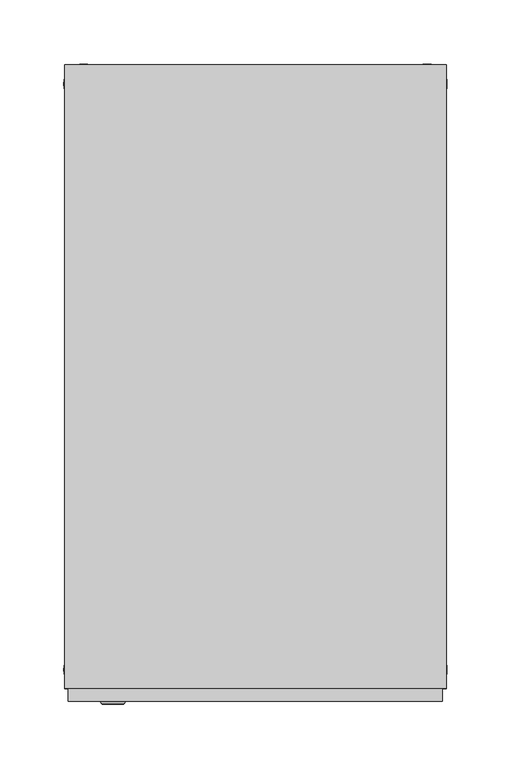
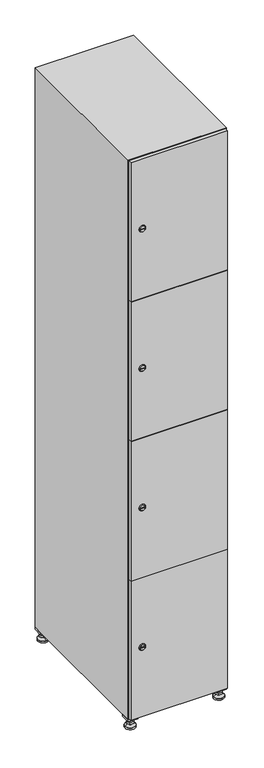
"""IFC4 building model written with IfcOpenShell, lengths in millimetres: furniture geometry."""

from ifc_helpers import new_model, si_unit, point, frame, frame_2d, origin, origin_with_axes, place, context, project, spatial, polyline, circle_curve, trimmed, segment, composite_curve, outline, extrude, faceted_brep, source, transform, mapped, element, save
from ifc_brep_helpers import plane_surface, revolved_surface, advanced_brep


def furniture_08a6adff(model_context):
    return source(origin(), model_context, "Body", "SolidModel", [
        extrude(outline(polyline([(100.0, 245.0), (100.0, 215.0), (70.0, 215.0), (70.0, 245.0), (100.0, 245.0)]), holes=[polyline([(98.0, 243.0), (72.0, 243.0), (72.0, 217.0), (98.0, 217.0), (98.0, 243.0)])]), frame((0.0, 0.0, 28.5), z_axis=(0.0, 0.0, 1.0), x_axis=(1.0, 0.0, 0.0)), (0.0, 0.0, 1.0), 6.5),
        extrude(outline(polyline([(70.0, -245.0), (70.0, -215.0), (100.0, -215.0), (100.0, -245.0), (70.0, -245.0)]), holes=[polyline([(72.0, -243.0), (98.0, -243.0), (98.0, -217.0), (72.0, -217.0), (72.0, -243.0)])]), frame((0.0, 0.0, 28.5), z_axis=(0.0, 0.0, 1.0), x_axis=(1.0, 0.0, 0.0)), (0.0, 0.0, 1.0), 6.5),
        extrude(outline(polyline([(-170.0, 245.0), (-170.0, 215.0), (-200.0, 215.0), (-200.0, 245.0), (-170.0, 245.0)]), holes=[polyline([(-172.0, 243.0), (-198.0, 243.0), (-198.0, 217.0), (-172.0, 217.0), (-172.0, 243.0)])]), frame((0.0, 0.0, 28.5), z_axis=(0.0, 0.0, 1.0), x_axis=(1.0, 0.0, 0.0)), (0.0, 0.0, 1.0), 6.5),
        extrude(outline(polyline([(-170.0, -215.0), (-170.0, -245.0), (-200.0, -245.0), (-200.0, -215.0), (-170.0, -215.0)]), holes=[polyline([(-198.0, -243.0), (-172.0, -243.0), (-172.0, -217.0), (-198.0, -217.0), (-198.0, -243.0)])]), frame((0.0, 0.0, 28.5), z_axis=(0.0, 0.0, 1.0), x_axis=(1.0, 0.0, 0.0)), (0.0, 0.0, 1.0), 6.5),
        extrude(outline(composite_curve([segment(trimmed(circle_curve(frame_2d((-185.0, 230.0)), 5.0), [point((-180.0, 230.0))], [point((-190.0, 230.0))], False, "CARTESIAN"), True, "CONTINUOUS"), segment(trimmed(circle_curve(frame_2d((-185.0, 230.0)), 5.0), [point((-190.0, 230.0))], [point((-180.0, 230.0))], False, "CARTESIAN"), True, "CONTINUOUS")], self_intersect=False)), frame((0.0, 0.0, 19.6), z_axis=(0.0, 0.0, 1.0), x_axis=(1.0, 0.0, 0.0)), (0.0, 0.0, 1.0), 15.4),
        extrude(outline(composite_curve([segment(trimmed(circle_curve(frame_2d((-185.0, -230.0)), 5.0), [point((-180.0, -230.0))], [point((-190.0, -230.0))], False, "CARTESIAN"), True, "CONTINUOUS"), segment(trimmed(circle_curve(frame_2d((-185.0, -230.0)), 5.0), [point((-190.0, -230.0))], [point((-180.0, -230.0))], False, "CARTESIAN"), True, "CONTINUOUS")], self_intersect=False)), frame((0.0, 0.0, 19.6), z_axis=(0.0, 0.0, 1.0), x_axis=(1.0, 0.0, 0.0)), (0.0, 0.0, 1.0), 15.4),
        extrude(outline(composite_curve([segment(trimmed(circle_curve(frame_2d((85.0, 230.0)), 5.0), [point((90.0, 230.0))], [point((80.0, 230.0))], False, "CARTESIAN"), True, "CONTINUOUS"), segment(trimmed(circle_curve(frame_2d((85.0, 230.0)), 5.0), [point((80.0, 230.0))], [point((90.0, 230.0))], False, "CARTESIAN"), True, "CONTINUOUS")], self_intersect=False)), frame((0.0, 0.0, 19.6), z_axis=(0.0, 0.0, 1.0), x_axis=(1.0, 0.0, 0.0)), (0.0, 0.0, 1.0), 15.4),
        extrude(outline(polyline([(73.4529946, 230.0), (79.2264973, 240.0), (90.7735027, 240.0), (96.5470054, 230.0), (90.7735027, 220.0), (79.2264973, 220.0), (73.4529946, 230.0)])), frame((0.0, 0.0, 13.6), z_axis=(0.0, 0.0, 1.0), x_axis=(1.0, 0.0, 0.0)), (0.0, 0.0, 1.0), 6.0),
        extrude(outline(composite_curve([segment(trimmed(circle_curve(frame_2d((85.0, -230.0)), 5.0), [point((90.0, -230.0))], [point((80.0, -230.0))], False, "CARTESIAN"), True, "CONTINUOUS"), segment(trimmed(circle_curve(frame_2d((85.0, -230.0)), 5.0), [point((80.0, -230.0))], [point((90.0, -230.0))], False, "CARTESIAN"), True, "CONTINUOUS")], self_intersect=False)), frame((0.0, 0.0, 19.6), z_axis=(0.0, 0.0, 1.0), x_axis=(1.0, 0.0, 0.0)), (0.0, 0.0, 1.0), 15.4),
        extrude(outline(polyline([(73.4529946, -230.0), (79.2264973, -220.0), (90.7735027, -220.0), (96.5470054, -230.0), (90.7735027, -240.0), (79.2264973, -240.0), (73.4529946, -230.0)])), frame((0.0, 0.0, 13.6), z_axis=(0.0, 0.0, 1.0), x_axis=(1.0, 0.0, 0.0)), (0.0, 0.0, 1.0), 6.0),
        extrude(outline(composite_curve([segment(trimmed(circle_curve(frame_2d((85.0, 230.0)), 5.0), [point((90.0, 230.0))], [point((80.0, 230.0))], False, "CARTESIAN"), True, "CONTINUOUS"), segment(trimmed(circle_curve(frame_2d((85.0, 230.0)), 5.0), [point((80.0, 230.0))], [point((90.0, 230.0))], False, "CARTESIAN"), True, "CONTINUOUS")], self_intersect=False)), frame((0.0, 0.0, 12.1), z_axis=(0.0, 0.0, 1.0), x_axis=(1.0, 0.0, 0.0)), (0.0, 0.0, 1.0), 1.5),
        extrude(outline(composite_curve([segment(trimmed(circle_curve(frame_2d((85.0, -230.0)), 5.0), [point((90.0, -230.0))], [point((80.0, -230.0))], False, "CARTESIAN"), True, "CONTINUOUS"), segment(trimmed(circle_curve(frame_2d((85.0, -230.0)), 5.0), [point((80.0, -230.0))], [point((90.0, -230.0))], False, "CARTESIAN"), True, "CONTINUOUS")], self_intersect=False)), frame((0.0, 0.0, 12.1), z_axis=(0.0, 0.0, 1.0), x_axis=(1.0, 0.0, 0.0)), (0.0, 0.0, 1.0), 1.5),
        extrude(outline(polyline([(-196.5470054, 230.0), (-190.7735027, 240.0), (-179.2264973, 240.0), (-173.4529946, 230.0), (-179.2264973, 220.0), (-190.7735027, 220.0), (-196.5470054, 230.0)])), frame((0.0, 0.0, 13.6), z_axis=(0.0, 0.0, 1.0), x_axis=(1.0, 0.0, 0.0)), (0.0, 0.0, 1.0), 6.0),
        extrude(outline(polyline([(-196.5470054, -230.0), (-190.7735027, -220.0), (-179.2264973, -220.0), (-173.4529946, -230.0), (-179.2264973, -240.0), (-190.7735027, -240.0), (-196.5470054, -230.0)])), frame((0.0, 0.0, 13.6), z_axis=(0.0, 0.0, 1.0), x_axis=(1.0, 0.0, 0.0)), (0.0, 0.0, 1.0), 6.0),
        extrude(outline(composite_curve([segment(trimmed(circle_curve(frame_2d((-185.0, 230.0)), 5.0), [point((-185.0, 235.0))], [point((-185.0, 225.0))], False, "CARTESIAN"), True, "CONTINUOUS"), segment(trimmed(circle_curve(frame_2d((-185.0, 230.0)), 5.0), [point((-185.0, 225.0))], [point((-185.0, 235.0))], False, "CARTESIAN"), True, "CONTINUOUS")], self_intersect=False)), frame((0.0, 0.0, 12.1), z_axis=(0.0, 0.0, 1.0), x_axis=(1.0, 0.0, 0.0)), (0.0, 0.0, 1.0), 1.5),
        extrude(outline(composite_curve([segment(trimmed(circle_curve(frame_2d((-185.0, -230.0)), 5.0), [point((-180.0, -230.0))], [point((-190.0, -230.0))], False, "CARTESIAN"), True, "CONTINUOUS"), segment(trimmed(circle_curve(frame_2d((-185.0, -230.0)), 5.0), [point((-190.0, -230.0))], [point((-180.0, -230.0))], False, "CARTESIAN"), True, "CONTINUOUS")], self_intersect=False)), frame((0.0, 0.0, 12.1), z_axis=(0.0, 0.0, 1.0), x_axis=(1.0, 0.0, 0.0)), (0.0, 0.0, 1.0), 1.5),
        extrude(outline(composite_curve([segment(trimmed(circle_curve(frame_2d((85.0, 230.0)), 15.75), [point((100.75, 230.0))], [point((69.25, 230.0))], False, "CARTESIAN"), True, "CONTINUOUS"), segment(trimmed(circle_curve(frame_2d((85.0, 230.0)), 15.75), [point((69.25, 230.0))], [point((100.75, 230.0))], False, "CARTESIAN"), True, "CONTINUOUS")], self_intersect=False)), origin_with_axes(), (0.0, 0.0, 1.0), 5.1),
        extrude(outline(composite_curve([segment(trimmed(circle_curve(frame_2d((85.0, -230.0)), 15.75), [point((85.0, -214.25))], [point((85.0, -245.75))], False, "CARTESIAN"), True, "CONTINUOUS"), segment(trimmed(circle_curve(frame_2d((85.0, -230.0)), 15.75), [point((85.0, -245.75))], [point((85.0, -214.25))], False, "CARTESIAN"), True, "CONTINUOUS")], self_intersect=False)), origin_with_axes(), (0.0, 0.0, 1.0), 5.1),
        extrude(outline(composite_curve([segment(trimmed(circle_curve(frame_2d((-185.0, -230.0)), 15.75), [point((-169.25, -230.0))], [point((-200.75, -230.0))], False, "CARTESIAN"), True, "CONTINUOUS"), segment(trimmed(circle_curve(frame_2d((-185.0, -230.0)), 15.75), [point((-200.75, -230.0))], [point((-169.25, -230.0))], False, "CARTESIAN"), True, "CONTINUOUS")], self_intersect=False)), origin_with_axes(), (0.0, 0.0, 1.0), 5.1),
        extrude(outline(composite_curve([segment(trimmed(circle_curve(frame_2d((-185.0, 230.0)), 15.75), [point((-169.25, 230.0))], [point((-200.75, 230.0))], False, "CARTESIAN"), True, "CONTINUOUS"), segment(trimmed(circle_curve(frame_2d((-185.0, 230.0)), 15.75), [point((-200.75, 230.0))], [point((-169.25, 230.0))], False, "CARTESIAN"), True, "CONTINUOUS")], self_intersect=False)), origin_with_axes(), (0.0, 0.0, 1.0), 5.1),
        advanced_brep(
        [(-185.0, 239.5, 12.1), (-185.0, 220.5, 12.1), (-185.0, 214.25, 5.1), (-185.0, 245.75, 5.1)],
        [
            (0, 1, circle_curve(frame((-185.0, 230.0, 12.1), z_axis=(0.0, 0.0, -1.0), x_axis=(0.0, 1.0, 0.0)), 9.5)),
            (1, 2),
            (2, 3, circle_curve(frame((-185.0, 230.0, 5.1), z_axis=(0.0, 0.0, 1.0), x_axis=(0.0, 1.0, 0.0)), 15.75)),
            (3, 0),
            (1, 0, circle_curve(frame((-185.0, 230.0, 12.1), z_axis=(0.0, 0.0, -1.0), x_axis=(0.0, -1.0, 0.0)), 9.5)),
            (3, 2, circle_curve(frame((-185.0, 230.0, 5.1), z_axis=(0.0, 0.0, 1.0), x_axis=(0.0, -1.0, 0.0)), 15.75)),
        ],
        [
            revolved_surface(polyline([(-185.0, 220.5, 12.099999999999998), (-185.0, 214.25, 5.099999999999998)]), (-185.0, 230.0, 22.74), (0.0, 0.0, -1.0)),
            revolved_surface(polyline([(-185.0, 239.5, 12.099999999999998), (-185.0, 245.75, 5.099999999999998)]), (-185.0, 230.0, 22.74), (0.0, 0.0, -1.0)),
            plane_surface(frame((-185.0, 230.0, 5.1), z_axis=(0.0, 0.0, -1.0), x_axis=(1.0, 0.0, 0.0))),
            plane_surface(frame((-185.0, 230.0, 12.1), z_axis=(0.0, 0.0, 1.0), x_axis=(1.0, 0.0, 0.0))),
        ],
        [
            (0, [[1, 2, 3, 4]]),
            (1, [[5, -4, 6, -2]]),
            (2, [[-3, -6]]),
            (3, [[-5, -1]]),
        ],
    ),
        advanced_brep(
        [(85.0, 239.5, 12.1), (85.0, 220.5, 12.1), (85.0, 214.25, 5.1), (85.0, 245.75, 5.1)],
        [
            (0, 1, circle_curve(frame((85.0, 230.0, 12.1), z_axis=(0.0, 0.0, -1.0), x_axis=(0.0, 1.0, 0.0)), 9.5)),
            (1, 2),
            (2, 3, circle_curve(frame((85.0, 230.0, 5.1), z_axis=(0.0, 0.0, 1.0), x_axis=(0.0, 1.0, 0.0)), 15.75)),
            (3, 0),
            (1, 0, circle_curve(frame((85.0, 230.0, 12.1), z_axis=(0.0, 0.0, -1.0), x_axis=(0.0, -1.0, 0.0)), 9.5)),
            (3, 2, circle_curve(frame((85.0, 230.0, 5.1), z_axis=(0.0, 0.0, 1.0), x_axis=(0.0, -1.0, 0.0)), 15.75)),
        ],
        [
            revolved_surface(polyline([(85.0, 220.5, 12.099999999999998), (85.0, 214.25, 5.099999999999998)]), (85.0, 230.0, 22.74), (0.0, 0.0, -1.0)),
            revolved_surface(polyline([(85.0, 239.5, 12.099999999999998), (85.0, 245.75, 5.099999999999998)]), (85.0, 230.0, 22.74), (0.0, 0.0, -1.0)),
            plane_surface(frame((85.0, 230.0, 5.1), z_axis=(0.0, 0.0, -1.0), x_axis=(1.0, 0.0, 0.0))),
            plane_surface(frame((85.0, 230.0, 12.1), z_axis=(0.0, 0.0, 1.0), x_axis=(1.0, 0.0, 0.0))),
        ],
        [
            (0, [[1, 2, 3, 4]]),
            (1, [[5, -4, 6, -2]]),
            (2, [[-3, -6]]),
            (3, [[-5, -1]]),
        ],
    ),
        advanced_brep(
        [(100.75, -230.0, 5.1), (69.25, -230.0, 5.1), (75.5, -230.0, 12.1), (94.5, -230.0, 12.1)],
        [
            (0, 1, circle_curve(frame((85.0, -230.0, 5.1), z_axis=(0.0, 0.0, 1.0), x_axis=(1.0, 0.0, 0.0)), 15.75)),
            (1, 2),
            (2, 3, circle_curve(frame((85.0, -230.0, 12.1), z_axis=(0.0, 0.0, -1.0), x_axis=(1.0, 0.0, 0.0)), 9.5)),
            (3, 0),
            (1, 0, circle_curve(frame((85.0, -230.0, 5.1), z_axis=(0.0, 0.0, 1.0), x_axis=(-1.0, 0.0, 0.0)), 15.75)),
            (3, 2, circle_curve(frame((85.0, -230.0, 12.1), z_axis=(0.0, 0.0, -1.0), x_axis=(-1.0, 0.0, 0.0)), 9.5)),
        ],
        [
            revolved_surface(polyline([(94.5, -230.0, 12.099999999999998), (100.75, -230.0, 5.099999999999998)]), (85.0, -230.0, 22.74), (0.0, 0.0, -1.0)),
            revolved_surface(polyline([(75.5, -230.0, 12.099999999999998), (69.25, -230.0, 5.099999999999998)]), (85.0, -230.0, 22.74), (0.0, 0.0, -1.0)),
            plane_surface(frame((85.0, -230.0, 12.1), z_axis=(0.0, 0.0, 1.0), x_axis=(0.0, 1.0, 0.0))),
            plane_surface(frame((85.0, -230.0, 5.1), z_axis=(0.0, 0.0, -1.0), x_axis=(0.0, 1.0, 0.0))),
        ],
        [
            (0, [[1, 2, 3, 4]]),
            (1, [[5, -4, 6, -2]]),
            (2, [[-3, -6]]),
            (3, [[-5, -1]]),
        ],
    ),
        advanced_brep(
        [(-169.25, -230.0, 5.1), (-200.75, -230.0, 5.1), (-194.5, -230.0, 12.1), (-175.5, -230.0, 12.1)],
        [
            (0, 1, circle_curve(frame((-185.0, -230.0, 5.1), z_axis=(0.0, 0.0, 1.0), x_axis=(1.0, 0.0, 0.0)), 15.75)),
            (1, 2),
            (2, 3, circle_curve(frame((-185.0, -230.0, 12.1), z_axis=(0.0, 0.0, -1.0), x_axis=(1.0, 0.0, 0.0)), 9.5)),
            (3, 0),
            (1, 0, circle_curve(frame((-185.0, -230.0, 5.1), z_axis=(0.0, 0.0, 1.0), x_axis=(-1.0, 0.0, 0.0)), 15.75)),
            (3, 2, circle_curve(frame((-185.0, -230.0, 12.1), z_axis=(0.0, 0.0, -1.0), x_axis=(-1.0, 0.0, 0.0)), 9.5)),
        ],
        [
            revolved_surface(polyline([(-175.5, -230.0, 12.099999999999998), (-169.25, -230.0, 5.099999999999998)]), (-185.0, -230.0, 22.74), (0.0, 0.0, -1.0)),
            revolved_surface(polyline([(-194.5, -230.0, 12.099999999999998), (-200.75, -230.0, 5.099999999999998)]), (-185.0, -230.0, 22.74), (0.0, 0.0, -1.0)),
            plane_surface(frame((-185.0, -230.0, 12.1), z_axis=(0.0, 0.0, 1.0), x_axis=(0.0, 1.0, 0.0))),
            plane_surface(frame((-185.0, -230.0, 5.1), z_axis=(0.0, 0.0, -1.0), x_axis=(0.0, 1.0, 0.0))),
        ],
        [
            (0, [[1, 2, 3, 4]]),
            (1, [[5, -4, 6, -2]]),
            (2, [[-3, -6]]),
            (3, [[-5, -1]]),
        ],
    ),
        extrude(outline(composite_curve([segment(trimmed(circle_curve(frame_2d((262.25, -188.7989466)), 7.0), [point((269.25, -188.7989466))], [point((255.25, -188.7989466))], False, "CARTESIAN"), True, "CONTINUOUS"), segment(polyline([(255.25, -188.7989466), (255.25, -160.7989466)]), True, "CONTINUOUS"), segment(trimmed(circle_curve(frame_2d((262.25, -160.7989466)), 7.0), [point((255.25, -160.7989466))], [point((269.25, -160.7989466))], False, "CARTESIAN"), True, "CONTINUOUS"), segment(polyline([(269.25, -160.7989466), (269.25, -188.7989466)]), True, "CONTINUOUS")], self_intersect=False)), frame((0.0, -245.0, 0.0), z_axis=(0.0, 1.0, 0.0), x_axis=(0.0, 0.0, 1.0)), (0.0, 0.0, 1.0), 2.0),
        advanced_brep(
        [(-153.5, -257.2, 262.25), (-170.5, -257.2, 262.25), (-167.0, -257.2, 261.0), (-167.0, -257.2, 263.5), (-157.0, -257.2, 263.5), (-157.0, -257.2, 261.0), (-151.5, -255.0, 262.25), (-172.5, -255.0, 262.25), (-167.0, -255.0, 263.5), (-167.0, -255.0, 261.0), (-157.0, -255.0, 261.0), (-157.0, -255.0, 263.5)],
        [
            (0, 1, circle_curve(frame((-162.0, -257.2, 262.25), z_axis=(0.0, -1.0, 0.0), x_axis=(1.0, 0.0, 0.0)), 8.5)),
            (1, 0, circle_curve(frame((-162.0, -257.2, 262.25), z_axis=(0.0, -1.0, 0.0), x_axis=(-1.0, 0.0, 0.0)), 8.5)),
            (2, 3),
            (3, 4),
            (4, 5),
            (5, 2),
            (6, 7, circle_curve(frame((-162.0, -255.0, 262.25), z_axis=(0.0, 1.0, 0.0), x_axis=(-1.0, 0.0, 0.0)), 10.5)),
            (7, 6, circle_curve(frame((-162.0, -255.0, 262.25), z_axis=(0.0, 1.0, 0.0), x_axis=(1.0, 0.0, 0.0)), 10.5)),
            (8, 9),
            (9, 10),
            (10, 11),
            (11, 8),
            (0, 6),
            (7, 1),
            (8, 3),
            (2, 9),
            (11, 4),
            (10, 5),
        ],
        [
            plane_surface(frame((-162.0, -257.2, 262.25), z_axis=(0.0, -1.0, 0.0), x_axis=(0.0, 0.0, 1.0))),
            plane_surface(frame((-162.0, -255.0, 262.25), z_axis=(0.0, 1.0, 0.0), x_axis=(0.0, 0.0, 1.0))),
            revolved_surface(polyline([(-153.5, -257.2, 262.25), (-151.5, -255.0, 262.25)]), (-162.0, -266.55, 262.25), (0.0, 1.0, 0.0)),
            revolved_surface(polyline([(-170.5, -257.2, 262.25), (-172.5, -255.0, 262.25)]), (-162.0, -266.55, 262.25), (0.0, 1.0, 0.0)),
            plane_surface(frame((-167.0, -255.0, 261.0), z_axis=(1.0, 0.0, 0.0), x_axis=(0.0, -1.0, 0.0))),
            plane_surface(frame((-167.0, -255.0, 263.5), z_axis=(0.0, 0.0, -1.0), x_axis=(0.0, -1.0, 0.0))),
            plane_surface(frame((-157.0, -255.0, 263.5), z_axis=(-1.0, 0.0, 0.0), x_axis=(0.0, -1.0, 0.0))),
            plane_surface(frame((-157.0, -255.0, 261.0), z_axis=(0.0, 0.0, 1.0), x_axis=(0.0, -1.0, 0.0))),
        ],
        [
            (0, [[1, 2], [3, 4, 5, 6]]),
            (1, [[7, 8], [9, 10, 11, 12]]),
            (2, [[-1, 13, -8, 14]]),
            (3, [[-2, -14, -7, -13]]),
            (4, [[15, -3, 16, -9]]),
            (5, [[-15, -12, 17, -4]]),
            (6, [[-17, -11, 18, -5]]),
            (7, [[-16, -6, -18, -10]]),
        ],
    ),
        extrude(outline(composite_curve([segment(trimmed(circle_curve(frame_2d((710.75, -188.7989466)), 7.0), [point((717.75, -188.7989466))], [point((703.75, -188.7989466))], False, "CARTESIAN"), True, "CONTINUOUS"), segment(polyline([(703.75, -188.7989466), (703.75, -160.7989466)]), True, "CONTINUOUS"), segment(trimmed(circle_curve(frame_2d((710.75, -160.7989466)), 7.0), [point((703.75, -160.7989466))], [point((717.75, -160.7989466))], False, "CARTESIAN"), True, "CONTINUOUS"), segment(polyline([(717.75, -160.7989466), (717.75, -188.7989466)]), True, "CONTINUOUS")], self_intersect=False)), frame((0.0, -245.0, 0.0), z_axis=(0.0, 1.0, 0.0), x_axis=(0.0, 0.0, 1.0)), (0.0, 0.0, 1.0), 2.0),
        advanced_brep(
        [(-153.5, -257.2, 710.75), (-170.5, -257.2, 710.75), (-167.0, -257.2, 709.5), (-167.0, -257.2, 712.0), (-157.0, -257.2, 712.0), (-157.0, -257.2, 709.5), (-151.5, -255.0, 710.75), (-172.5, -255.0, 710.75), (-167.0, -255.0, 712.0), (-167.0, -255.0, 709.5), (-157.0, -255.0, 709.5), (-157.0, -255.0, 712.0)],
        [
            (0, 1, circle_curve(frame((-162.0, -257.2, 710.75), z_axis=(0.0, -1.0, 0.0), x_axis=(1.0, 0.0, 0.0)), 8.5)),
            (1, 0, circle_curve(frame((-162.0, -257.2, 710.75), z_axis=(0.0, -1.0, 0.0), x_axis=(-1.0, 0.0, 0.0)), 8.5)),
            (2, 3),
            (3, 4),
            (4, 5),
            (5, 2),
            (6, 7, circle_curve(frame((-162.0, -255.0, 710.75), z_axis=(0.0, 1.0, 0.0), x_axis=(-1.0, 0.0, 0.0)), 10.5)),
            (7, 6, circle_curve(frame((-162.0, -255.0, 710.75), z_axis=(0.0, 1.0, 0.0), x_axis=(1.0, 0.0, 0.0)), 10.5)),
            (8, 9),
            (9, 10),
            (10, 11),
            (11, 8),
            (0, 6),
            (7, 1),
            (8, 3),
            (2, 9),
            (11, 4),
            (10, 5),
        ],
        [
            plane_surface(frame((-162.0, -257.2, 710.75), z_axis=(0.0, -1.0, 0.0), x_axis=(0.0, 0.0, 1.0))),
            plane_surface(frame((-162.0, -255.0, 710.75), z_axis=(0.0, 1.0, 0.0), x_axis=(0.0, 0.0, 1.0))),
            revolved_surface(polyline([(-153.5, -257.2, 710.75), (-151.5, -255.0, 710.75)]), (-162.0, -266.55, 710.75), (0.0, 1.0, 0.0)),
            revolved_surface(polyline([(-170.5, -257.2, 710.75), (-172.5, -255.0, 710.75)]), (-162.0, -266.55, 710.75), (0.0, 1.0, 0.0)),
            plane_surface(frame((-167.0, -255.0, 709.5), z_axis=(1.0, 0.0, 0.0), x_axis=(0.0, -1.0, 0.0))),
            plane_surface(frame((-167.0, -255.0, 712.0), z_axis=(0.0, 0.0, -1.0), x_axis=(0.0, -1.0, 0.0))),
            plane_surface(frame((-157.0, -255.0, 712.0), z_axis=(-1.0, 0.0, 0.0), x_axis=(0.0, -1.0, 0.0))),
            plane_surface(frame((-157.0, -255.0, 709.5), z_axis=(0.0, 0.0, 1.0), x_axis=(0.0, -1.0, 0.0))),
        ],
        [
            (0, [[1, 2], [3, 4, 5, 6]]),
            (1, [[7, 8], [9, 10, 11, 12]]),
            (2, [[-1, 13, -8, 14]]),
            (3, [[-2, -14, -7, -13]]),
            (4, [[15, -3, 16, -9]]),
            (5, [[-15, -12, 17, -4]]),
            (6, [[-17, -11, 18, -5]]),
            (7, [[-16, -6, -18, -10]]),
        ],
    ),
        extrude(outline(composite_curve([segment(trimmed(circle_curve(frame_2d((1159.25, -188.7989466)), 7.0), [point((1166.25, -188.7989466))], [point((1152.25, -188.7989466))], False, "CARTESIAN"), True, "CONTINUOUS"), segment(polyline([(1152.25, -188.7989466), (1152.25, -160.7989466)]), True, "CONTINUOUS"), segment(trimmed(circle_curve(frame_2d((1159.25, -160.7989466)), 7.0), [point((1152.25, -160.7989466))], [point((1166.25, -160.7989466))], False, "CARTESIAN"), True, "CONTINUOUS"), segment(polyline([(1166.25, -160.7989466), (1166.25, -188.7989466)]), True, "CONTINUOUS")], self_intersect=False)), frame((0.0, -245.0, 0.0), z_axis=(0.0, 1.0, 0.0), x_axis=(0.0, 0.0, 1.0)), (0.0, 0.0, 1.0), 2.0),
        advanced_brep(
        [(-153.5, -257.2, 1159.25), (-170.5, -257.2, 1159.25), (-167.0, -257.2, 1158.0), (-167.0, -257.2, 1160.5), (-157.0, -257.2, 1160.5), (-157.0, -257.2, 1158.0), (-151.5, -255.0, 1159.25), (-172.5, -255.0, 1159.25), (-167.0, -255.0, 1160.5), (-167.0, -255.0, 1158.0), (-157.0, -255.0, 1158.0), (-157.0, -255.0, 1160.5)],
        [
            (0, 1, circle_curve(frame((-162.0, -257.2, 1159.25), z_axis=(0.0, -1.0, 0.0), x_axis=(1.0, 0.0, 0.0)), 8.5)),
            (1, 0, circle_curve(frame((-162.0, -257.2, 1159.25), z_axis=(0.0, -1.0, 0.0), x_axis=(-1.0, 0.0, 0.0)), 8.5)),
            (2, 3),
            (3, 4),
            (4, 5),
            (5, 2),
            (6, 7, circle_curve(frame((-162.0, -255.0, 1159.25), z_axis=(0.0, 1.0, 0.0), x_axis=(-1.0, 0.0, 0.0)), 10.5)),
            (7, 6, circle_curve(frame((-162.0, -255.0, 1159.25), z_axis=(0.0, 1.0, 0.0), x_axis=(1.0, 0.0, 0.0)), 10.5)),
            (8, 9),
            (9, 10),
            (10, 11),
            (11, 8),
            (0, 6),
            (7, 1),
            (8, 3),
            (2, 9),
            (11, 4),
            (10, 5),
        ],
        [
            plane_surface(frame((-162.0, -257.2, 1159.25), z_axis=(0.0, -1.0, 0.0), x_axis=(0.0, 0.0, 1.0))),
            plane_surface(frame((-162.0, -255.0, 1159.25), z_axis=(0.0, 1.0, 0.0), x_axis=(0.0, 0.0, 1.0))),
            revolved_surface(polyline([(-153.5, -257.2, 1159.25), (-151.5, -255.0, 1159.25)]), (-162.0, -266.55, 1159.25), (0.0, 1.0, 0.0)),
            revolved_surface(polyline([(-170.5, -257.2, 1159.25), (-172.5, -255.0, 1159.25)]), (-162.0, -266.55, 1159.25), (0.0, 1.0, 0.0)),
            plane_surface(frame((-167.0, -255.0, 1158.0), z_axis=(1.0, 0.0, 0.0), x_axis=(0.0, -1.0, 0.0))),
            plane_surface(frame((-167.0, -255.0, 1160.5), z_axis=(0.0, 0.0, -1.0), x_axis=(0.0, -1.0, 0.0))),
            plane_surface(frame((-157.0, -255.0, 1160.5), z_axis=(-1.0, 0.0, 0.0), x_axis=(0.0, -1.0, 0.0))),
            plane_surface(frame((-157.0, -255.0, 1158.0), z_axis=(0.0, 0.0, 1.0), x_axis=(0.0, -1.0, 0.0))),
        ],
        [
            (0, [[1, 2], [3, 4, 5, 6]]),
            (1, [[7, 8], [9, 10, 11, 12]]),
            (2, [[-1, 13, -8, 14]]),
            (3, [[-2, -14, -7, -13]]),
            (4, [[15, -3, 16, -9]]),
            (5, [[-15, -12, 17, -4]]),
            (6, [[-17, -11, 18, -5]]),
            (7, [[-16, -6, -18, -10]]),
        ],
    ),
        extrude(outline(composite_curve([segment(trimmed(circle_curve(frame_2d((1607.75, -188.7989466)), 7.0), [point((1614.75, -188.7989466))], [point((1600.75, -188.7989466))], False, "CARTESIAN"), True, "CONTINUOUS"), segment(polyline([(1600.75, -188.7989466), (1600.75, -160.7989466)]), True, "CONTINUOUS"), segment(trimmed(circle_curve(frame_2d((1607.75, -160.7989466)), 7.0), [point((1600.75, -160.7989466))], [point((1614.75, -160.7989466))], False, "CARTESIAN"), True, "CONTINUOUS"), segment(polyline([(1614.75, -160.7989466), (1614.75, -188.7989466)]), True, "CONTINUOUS")], self_intersect=False)), frame((0.0, -245.0, 0.0), z_axis=(0.0, 1.0, 0.0), x_axis=(0.0, 0.0, 1.0)), (0.0, 0.0, 1.0), 2.0),
        advanced_brep(
        [(-153.5, -257.2, 1607.75), (-170.5, -257.2, 1607.75), (-167.0, -257.2, 1606.5), (-167.0, -257.2, 1609.0), (-157.0, -257.2, 1609.0), (-157.0, -257.2, 1606.5), (-151.5, -255.0, 1607.75), (-172.5, -255.0, 1607.75), (-167.0, -255.0, 1609.0), (-167.0, -255.0, 1606.5), (-157.0, -255.0, 1606.5), (-157.0, -255.0, 1609.0)],
        [
            (0, 1, circle_curve(frame((-162.0, -257.2, 1607.75), z_axis=(0.0, -1.0, 0.0), x_axis=(1.0, 0.0, 0.0)), 8.5)),
            (1, 0, circle_curve(frame((-162.0, -257.2, 1607.75), z_axis=(0.0, -1.0, 0.0), x_axis=(-1.0, 0.0, 0.0)), 8.5)),
            (2, 3),
            (3, 4),
            (4, 5),
            (5, 2),
            (6, 7, circle_curve(frame((-162.0, -255.0, 1607.75), z_axis=(0.0, 1.0, 0.0), x_axis=(-1.0, 0.0, 0.0)), 10.5)),
            (7, 6, circle_curve(frame((-162.0, -255.0, 1607.75), z_axis=(0.0, 1.0, 0.0), x_axis=(1.0, 0.0, 0.0)), 10.5)),
            (8, 9),
            (9, 10),
            (10, 11),
            (11, 8),
            (0, 6),
            (7, 1),
            (8, 3),
            (2, 9),
            (11, 4),
            (10, 5),
        ],
        [
            plane_surface(frame((-162.0, -257.2, 1607.75), z_axis=(0.0, -1.0, 0.0), x_axis=(0.0, 0.0, 1.0))),
            plane_surface(frame((-162.0, -255.0, 1607.75), z_axis=(0.0, 1.0, 0.0), x_axis=(0.0, 0.0, 1.0))),
            revolved_surface(polyline([(-153.5, -257.2, 1607.75), (-151.5, -255.0, 1607.75)]), (-162.0, -266.55, 1607.75), (0.0, 1.0, 0.0)),
            revolved_surface(polyline([(-170.5, -257.2, 1607.75), (-172.5, -255.0, 1607.75)]), (-162.0, -266.55, 1607.75), (0.0, 1.0, 0.0)),
            plane_surface(frame((-167.0, -255.0, 1606.5), z_axis=(1.0, 0.0, 0.0), x_axis=(0.0, -1.0, 0.0))),
            plane_surface(frame((-167.0, -255.0, 1609.0), z_axis=(0.0, 0.0, -1.0), x_axis=(0.0, -1.0, 0.0))),
            plane_surface(frame((-157.0, -255.0, 1609.0), z_axis=(-1.0, 0.0, 0.0), x_axis=(0.0, -1.0, 0.0))),
            plane_surface(frame((-157.0, -255.0, 1606.5), z_axis=(0.0, 0.0, 1.0), x_axis=(0.0, -1.0, 0.0))),
        ],
        [
            (0, [[1, 2], [3, 4, 5, 6]]),
            (1, [[7, 8], [9, 10, 11, 12]]),
            (2, [[-1, 13, -8, 14]]),
            (3, [[-2, -14, -7, -13]]),
            (4, [[15, -3, 16, -9]]),
            (5, [[-15, -12, 17, -4]]),
            (6, [[-17, -11, 18, -5]]),
            (7, [[-16, -6, -18, -10]]),
        ],
    ),
        extrude(outline(polyline([(97.0, -245.0), (97.0, -255.0), (-197.0, -255.0), (-197.0, -245.0), (97.0, -245.0)])), frame((0.0, 0.0, 486.0), z_axis=(0.0, 0.0, 1.0), x_axis=(1.0, 0.0, 0.0)), (0.0, 0.0, 1.0), 448.5),
        extrude(outline(polyline([(97.0, -245.0), (97.0, -255.0), (-197.0, -255.0), (-197.0, -245.0), (97.0, -245.0)])), frame((0.0, 0.0, 935.5), z_axis=(0.0, 0.0, 1.0), x_axis=(1.0, 0.0, 0.0)), (0.0, 0.0, 1.0), 447.5),
        extrude(outline(polyline([(-197.0, -255.0), (-197.0, -245.0), (97.0, -245.0), (97.0, -255.0), (-197.0, -255.0)])), frame((0.0, 0.0, 1384.0), z_axis=(0.0, 0.0, 1.0), x_axis=(1.0, 0.0, 0.0)), (0.0, 0.0, 1.0), 448.0),
        extrude(outline(polyline([(97.0, -245.0), (97.0, -255.0), (-197.0, -255.0), (-197.0, -245.0), (97.0, -245.0)])), frame((0.0, 0.0, 38.0), z_axis=(0.0, 0.0, 1.0), x_axis=(1.0, 0.0, 0.0)), (0.0, 0.0, 1.0), 449.0),
        extrude(outline(polyline([(79.6, 242.0), (79.6, -235.0), (-179.6, -235.0), (-179.6, 242.0), (79.6, 242.0)])), frame((0.0, 0.0, 1359.7), z_axis=(0.0, 0.0, 1.0), x_axis=(1.0, 0.0, 0.0)), (0.0, 0.0, 1.0), 20.4),
        extrude(outline(polyline([(79.6, 242.0), (79.6, -235.0), (-179.6, -235.0), (-179.6, 242.0), (79.6, 242.0)])), frame((0.0, 0.0, 924.8), z_axis=(0.0, 0.0, 1.0), x_axis=(1.0, 0.0, 0.0)), (0.0, 0.0, 1.0), 20.4),
        extrude(outline(polyline([(79.6, 242.0), (79.6, -235.0), (-179.6, -235.0), (-179.6, 242.0), (79.6, 242.0)])), frame((0.0, 0.0, 489.9), z_axis=(0.0, 0.0, 1.0), x_axis=(1.0, 0.0, 0.0)), (0.0, 0.0, 1.0), 20.4),
        faceted_brep([(100.0, -245.0, 35.0), (100.0, -245.0, 1835.0), (-200.0, -245.0, 1835.0), (-200.0, -245.0, 35.0), (79.6, -245.0, 1804.8), (79.6, -245.0, 65.2), (-179.6, -245.0, 65.2), (-179.6, -245.0, 1804.8), (100.0, 245.0, 35.0), (-200.0, 245.0, 35.0), (100.0, 245.0, 1835.0), (-200.0, 245.0, 1835.0), (79.6, 242.0, 1804.8), (79.6, 242.0, 65.2), (-200.0, 245.0, 1804.8), (-179.6, 242.0, 1804.8), (-179.6, 242.0, 65.2)], [[[0, 1, 2, 3], [4, 5, 6, 7]], [[8, 0, 3, 9]], [[1, 0, 8, 10]], [[1, 10, 11, 2]], [[4, 12, 13, 5]], [[9, 3, 2, 11, 14]], [[10, 8, 9, 14, 11]], [[12, 15, 16, 13]], [[15, 7, 6, 16]], [[4, 7, 15, 12]], [[6, 5, 13, 16]]]),
    ])


if __name__ == "__main__":
    model = new_model("IFC4")
    model_context = context("Model", 3, world=origin())
    ifc_project = project(units=[si_unit("LENGTHUNIT", "METRE", prefix="MILLI")], contexts=[model_context])
    site = spatial("IfcSite", under=ifc_project)
    building = spatial("IfcBuilding", under=site)
    placement = place(None, origin())
    furniture_shape = furniture_08a6adff(model_context)
    element("IfcFurniture", 1, at=placement, inside=building, context=model_context, shape_type="MappedRepresentation", body=[
        mapped(furniture_shape, transform((0.0, 0.0, 0.0), x_axis=(1.0, 0.0, 0.0), y_axis=(0.0, 1.0, 0.0), z_axis=(0.0, 0.0, 1.0))),
    ])
    save(model, "model.ifc")
